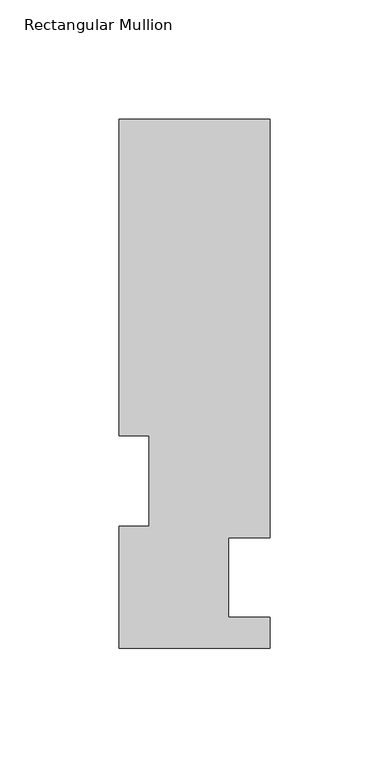
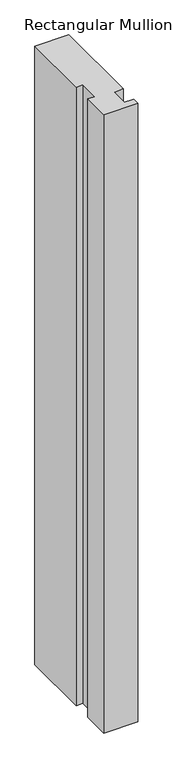
"""IFC4 building model written with IfcOpenShell, lengths in millimetres: member geometry, Rectangular Mullion."""

from ifc_helpers import new_model, si_unit, frame, origin, place, context, project, spatial, polyline, outline, extrude, source, transform, mapped, element, save


def rectangular_mullion_124f25a4(model_context):
    return source(origin(), model_context, "Body", "SweptSolid", [
        extrude(outline(polyline([(31.7500002, 222.5381313), (31.7500002, 46.7447312), (14.2747998, 46.7447312), (14.2747998, 13.3945314), (31.7499998, 13.3945314), (31.7499998, 0.2119314), (-31.7500002, 0.2119314), (-31.7500002, 51.4945313), (-19.0500002, 51.4945313), (-19.0500002, 89.5945313), (-31.7499998, 89.5945313), (-31.7499998, 222.5381313), (31.7500002, 222.5381313)])), frame((0.0, 0.0, -1219.2), z_axis=(0.0, 0.0, 1.0), x_axis=(1.0, 0.0, 0.0)), (0.0, 0.0, 1.0), 1219.2),
    ])


if __name__ == "__main__":
    model = new_model("IFC4")
    model_context = context("Model", 3, world=origin())
    ifc_project = project(units=[si_unit("LENGTHUNIT", "METRE", prefix="MILLI")], contexts=[model_context])
    site = spatial("IfcSite", under=ifc_project)
    building = spatial("IfcBuilding", under=site)
    placement = place(None, origin())
    rectangular_mullion_shape = rectangular_mullion_124f25a4(model_context)
    element("IfcMember", 1, ObjectType="Rectangular Mullion", at=placement, inside=building, context=model_context, shape_type="MappedRepresentation", body=[
        mapped(rectangular_mullion_shape, transform((0.0, 0.0, 0.0), x_axis=(1.0, 0.0, 0.0), y_axis=(0.0, 1.0, 0.0), z_axis=(0.0, 0.0, 1.0))),
    ])
    save(model, "model.ifc")
